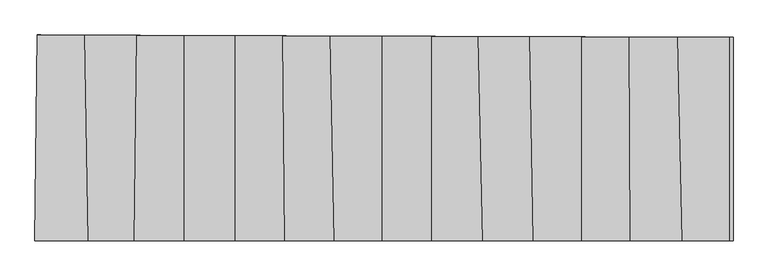
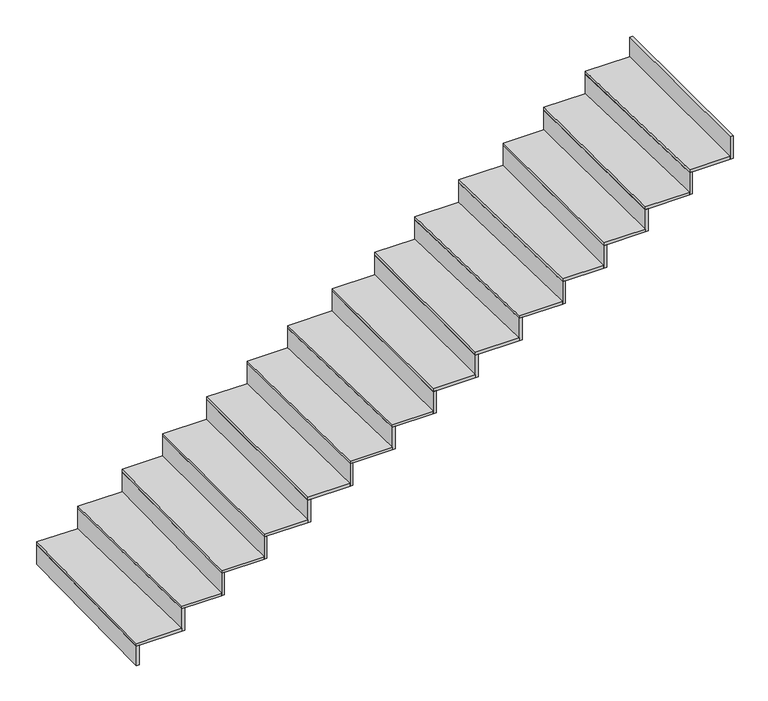
"""IFC4 building model written with IfcOpenShell, lengths in millimetres: stair flight geometry."""

from ifc_helpers import new_model, si_unit, frame, origin, place, context, project, spatial, polyline, outline, extrude, source, transform, mapped, element, save


def stair_flight_51190278(model_context):
    return source(origin(), model_context, "Body", "SweptSolid", [
        extrude(outline(polyline([(-23733.8885287, 688.6835024), (-23753.8899192, 688.6835024), (-23739.6526044, 1896.0557094), (-23719.6520799, 1895.9822702), (-23733.8885287, 688.6835024)])), frame((0.0, 0.0, -2396.5), z_axis=(0.0, 0.0, 1.0), x_axis=(1.0, 0.0, 0.0)), (0.0, 0.0, 1.0), 142.1864079),
        extrude(outline(polyline([(-23460.9724051, 1895.0324341), (-23441.8815394, 688.6835024), (-23753.8899192, 688.6835024), (-23739.6526044, 1896.0557094), (-23460.9724051, 1895.0324341)])), frame((0.0, 0.0, -2254.3135921), z_axis=(0.0, 0.0, 1.0), x_axis=(1.0, 0.0, 0.0)), (0.0, 0.0, 1.0), 20.0),
        extrude(outline(polyline([(-23421.8790352, 688.6835024), (-23441.8815394, 688.6835024), (-23460.9724051, 1895.0324341), (-23440.9687384, 1894.9589834), (-23421.8790352, 688.6835024)])), frame((0.0, 0.0, -2254.3135921), z_axis=(0.0, 0.0, 1.0), x_axis=(1.0, 0.0, 0.0)), (0.0, 0.0, 1.0), 162.1864079),
        extrude(outline(polyline([(-23155.881856, 1893.9121836), (-23170.0938944, 688.6835024), (-23441.8815394, 688.6835024), (-23460.9724051, 1895.0324341), (-23155.881856, 1893.9121836)])), frame((0.0, 0.0, -2092.1271841), z_axis=(0.0, 0.0, 1.0), x_axis=(1.0, 0.0, 0.0)), (0.0, 0.0, 1.0), 20.0),
        extrude(outline(polyline([(-23150.0925039, 688.6835024), (-23170.0938944, 688.6835024), (-23155.881856, 1893.9121836), (-23135.8813316, 1893.8387444), (-23150.0925039, 688.6835024)])), frame((0.0, 0.0, -2092.1271841), z_axis=(0.0, 0.0, 1.0), x_axis=(1.0, 0.0, 0.0)), (0.0, 0.0, 1.0), 162.1864079),
        extrude(outline(polyline([(-22878.0512651, 1892.892028), (-22878.0512651, 688.6835024), (-23170.0938944, 688.6835024), (-23155.881856, 1893.9121836), (-22878.0512651, 1892.892028)])), frame((0.0, 0.0, -1929.9407762), z_axis=(0.0, 0.0, 1.0), x_axis=(1.0, 0.0, 0.0)), (0.0, 0.0, 1.0), 20.0),
        extrude(outline(polyline([(-22858.0512651, 688.6835024), (-22878.0512651, 688.6835024), (-22878.0512651, 1892.892028), (-22858.0512651, 1892.8185907), (-22858.0512651, 688.6835024)])), frame((0.0, 0.0, -1929.9407762), z_axis=(0.0, 0.0, 1.0), x_axis=(1.0, 0.0, 0.0)), (0.0, 0.0, 1.0), 162.1864079),
        extrude(outline(polyline([(-22578.0721206, 1891.7905458), (-22578.0721206, 688.6835024), (-22878.0512651, 688.6835024), (-22878.0512651, 1892.892028), (-22578.0721206, 1891.7905458)])), frame((0.0, 0.0, -1767.7543683), z_axis=(0.0, 0.0, 1.0), x_axis=(1.0, 0.0, 0.0)), (0.0, 0.0, 1.0), 20.0),
        extrude(outline(polyline([(-22558.0721206, 688.6835024), (-22578.0721206, 688.6835024), (-22578.0721206, 1891.7905458), (-22558.0721206, 1891.7171086), (-22558.0721206, 688.6835024)])), frame((0.0, 0.0, -1767.7543683), z_axis=(0.0, 0.0, 1.0), x_axis=(1.0, 0.0, 0.0)), (0.0, 0.0, 1.0), 162.1864079),
        extrude(outline(polyline([(-22299.9326807, 1890.7692561), (-22288.2426611, 688.6835024), (-22578.0721206, 688.6835024), (-22578.0721206, 1891.7905458), (-22299.9326807, 1890.7692561)])), frame((0.0, 0.0, -1605.5679604), z_axis=(0.0, 0.0, 1.0), x_axis=(1.0, 0.0, 0.0)), (0.0, 0.0, 1.0), 20.0),
        extrude(outline(polyline([(-22268.2417155, 688.6835024), (-22288.2426611, 688.6835024), (-22299.9326807, 1890.7692561), (-22279.9310208, 1890.6958128), (-22268.2417155, 688.6835024)])), frame((0.0, 0.0, -1605.5679604), z_axis=(0.0, 0.0, 1.0), x_axis=(1.0, 0.0, 0.0)), (0.0, 0.0, 1.0), 162.1864079),
        extrude(outline(polyline([(-22022.1697886, 1889.749349), (-21996.7273506, 688.6835024), (-22288.2426611, 688.6835024), (-22299.9326807, 1890.7692561), (-22022.1697886, 1889.749349)])), frame((0.0, 0.0, -1443.3815524), z_axis=(0.0, 0.0, 1.0), x_axis=(1.0, 0.0, 0.0)), (0.0, 0.0, 1.0), 20.0),
        extrude(outline(polyline([(-21976.7228638, 688.6835024), (-21996.7273506, 688.6835024), (-22022.1697886, 1889.749349), (-22002.1637457, 1889.6758896), (-21976.7228638, 688.6835024)])), frame((0.0, 0.0, -1443.3815524), z_axis=(0.0, 0.0, 1.0), x_axis=(1.0, 0.0, 0.0)), (0.0, 0.0, 1.0), 162.1864079),
        extrude(outline(polyline([(-21717.295731, 1888.6298935), (-21717.295731, 688.6835024), (-21996.7273506, 688.6835024), (-22022.1697886, 1889.749349), (-21717.295731, 1888.6298935)])), frame((0.0, 0.0, -1281.1951445), z_axis=(0.0, 0.0, 1.0), x_axis=(1.0, 0.0, 0.0)), (0.0, 0.0, 1.0), 20.0),
        extrude(outline(polyline([(-21697.295731, 688.6835024), (-21717.295731, 688.6835024), (-21717.295731, 1888.6298935), (-21697.295731, 1888.5564562), (-21697.295731, 688.6835024)])), frame((0.0, 0.0, -1281.1951445), z_axis=(0.0, 0.0, 1.0), x_axis=(1.0, 0.0, 0.0)), (0.0, 0.0, 1.0), 162.1864079),
        extrude(outline(polyline([(-21427.1336492, 1887.5644583), (-21427.1336492, 688.6835024), (-21717.295731, 688.6835024), (-21717.295731, 1888.6298935), (-21427.1336492, 1887.5644583)])), frame((0.0, 0.0, -1119.0087366), z_axis=(0.0, 0.0, 1.0), x_axis=(1.0, 0.0, 0.0)), (0.0, 0.0, 1.0), 20.0),
        extrude(outline(polyline([(-21407.1336492, 688.6835024), (-21427.1336492, 688.6835024), (-21427.1336492, 1887.5644583), (-21407.1336492, 1887.491021), (-21407.1336492, 688.6835024)])), frame((0.0, 0.0, -1119.0087366), z_axis=(0.0, 0.0, 1.0), x_axis=(1.0, 0.0, 0.0)), (0.0, 0.0, 1.0), 162.1864079),
        extrude(outline(polyline([(-21152.1583412, 1886.5547868), (-21126.7835742, 688.6835024), (-21427.1336492, 688.6835024), (-21427.1336492, 1887.5644583), (-21152.1583412, 1886.5547868)])), frame((0.0, 0.0, -956.8223286), z_axis=(0.0, 0.0, 1.0), x_axis=(1.0, 0.0, 0.0)), (0.0, 0.0, 1.0), 20.0),
        extrude(outline(polyline([(-21106.7790874, 688.6835024), (-21126.7835742, 688.6835024), (-21152.1583412, 1886.5547868), (-21132.1522983, 1886.4813274), (-21106.7790874, 688.6835024)])), frame((0.0, 0.0, -956.8223286), z_axis=(0.0, 0.0, 1.0), x_axis=(1.0, 0.0, 0.0)), (0.0, 0.0, 1.0), 162.1864079),
        extrude(outline(polyline([(-20851.4383995, 1885.4505846), (-20829.6178099, 688.6835024), (-21126.7835742, 688.6835024), (-21152.1583412, 1886.5547868), (-20851.4383995, 1885.4505846)])), frame((0.0, 0.0, -794.6359207), z_axis=(0.0, 0.0, 1.0), x_axis=(1.0, 0.0, 0.0)), (0.0, 0.0, 1.0), 20.0),
        extrude(outline(polyline([(-20809.6144858, 688.6835024), (-20829.6178099, 688.6835024), (-20851.4383995, 1885.4505846), (-20831.4337361, 1885.3771302), (-20809.6144858, 688.6835024)])), frame((0.0, 0.0, -794.6359207), z_axis=(0.0, 0.0, 1.0), x_axis=(1.0, 0.0, 0.0)), (0.0, 0.0, 1.0), 162.1864079),
        extrude(outline(polyline([(-20547.2682225, 1884.3337136), (-20547.2682225, 688.6835024), (-20829.6178099, 688.6835024), (-20851.4383995, 1885.4505846), (-20547.2682225, 1884.3337136)])), frame((0.0, 0.0, -632.4495128), z_axis=(0.0, 0.0, 1.0), x_axis=(1.0, 0.0, 0.0)), (0.0, 0.0, 1.0), 20.0),
        extrude(outline(polyline([(-20527.2682225, 688.6835024), (-20547.2682225, 688.6835024), (-20547.2682225, 1884.3337136), (-20527.2682225, 1884.2602764), (-20527.2682225, 688.6835024)])), frame((0.0, 0.0, -632.4495128), z_axis=(0.0, 0.0, 1.0), x_axis=(1.0, 0.0, 0.0)), (0.0, 0.0, 1.0), 162.1864079),
        extrude(outline(polyline([(-20268.7042328, 1883.310865), (-20261.0854834, 688.6835024), (-20547.2682225, 688.6835024), (-20547.2682225, 1884.3337136), (-20268.7042328, 1883.310865)])), frame((0.0, 0.0, -470.2631049), z_axis=(0.0, 0.0, 1.0), x_axis=(1.0, 0.0, 0.0)), (0.0, 0.0, 1.0), 20.0),
        extrude(outline(polyline([(-20241.0850767, 688.6835024), (-20261.0854834, 688.6835024), (-20268.7042328, 1883.310865), (-20248.7033577, 1883.2374245), (-20241.0850767, 688.6835024)])), frame((0.0, 0.0, -470.2631049), z_axis=(0.0, 0.0, 1.0), x_axis=(1.0, 0.0, 0.0)), (0.0, 0.0, 1.0), 162.1864079),
        extrude(outline(polyline([(-19982.865027, 1882.2613028), (-19957.7502541, 688.6835024), (-20261.0854834, 688.6835024), (-20268.7042328, 1883.310865), (-19982.865027, 1882.2613028)])), frame((0.0, 0.0, -308.0766969), z_axis=(0.0, 0.0, 1.0), x_axis=(1.0, 0.0, 0.0)), (0.0, 0.0, 1.0), 20.0),
        extrude(outline(polyline([(-19937.7458271, 688.6835024), (-19957.7502541, 688.6835024), (-19982.865027, 1882.2613028), (-19962.8590543, 1882.1878436), (-19937.7458271, 688.6835024)])), frame((0.0, 0.0, -308.0766969), z_axis=(0.0, 0.0, 1.0), x_axis=(1.0, 0.0, 0.0)), (0.0, 0.0, 1.0), 162.1864079),
        extrude(outline(polyline([(-19658.8899192, 688.6835024), (-19678.8899192, 688.6835024), (-19678.8899192, 1881.1451481), (-19658.8899192, 1881.0717108), (-19658.8899192, 688.6835024)])), frame((0.0, 0.0, -145.890289), z_axis=(0.0, 0.0, 1.0), x_axis=(1.0, 0.0, 0.0)), (0.0, 0.0, 1.0), 162.1864079),
        extrude(outline(polyline([(-19678.8899192, 1881.1451481), (-19678.8899192, 688.6835024), (-19957.7502541, 688.6835024), (-19982.865027, 1882.2613028), (-19678.8899192, 1881.1451481)])), frame((0.0, 0.0, -145.890289), z_axis=(0.0, 0.0, 1.0), x_axis=(1.0, 0.0, 0.0)), (0.0, 0.0, 1.0), 20.0),
    ])


if __name__ == "__main__":
    model = new_model("IFC4")
    model_context = context("Model", 3, world=origin())
    ifc_project = project(units=[si_unit("LENGTHUNIT", "METRE", prefix="MILLI")], contexts=[model_context])
    site = spatial("IfcSite", under=ifc_project)
    building = spatial("IfcBuilding", under=site)
    placement = place(None, origin())
    stair_flight_shape = stair_flight_51190278(model_context)
    element("IfcStairFlight", 1, at=placement, inside=building, context=model_context, shape_type="MappedRepresentation", body=[
        mapped(stair_flight_shape, transform((0.0, 0.0, 0.0), x_axis=(1.0, 0.0, 0.0), y_axis=(0.0, 1.0, 0.0), z_axis=(0.0, 0.0, 1.0))),
    ])
    save(model, "model.ifc")
